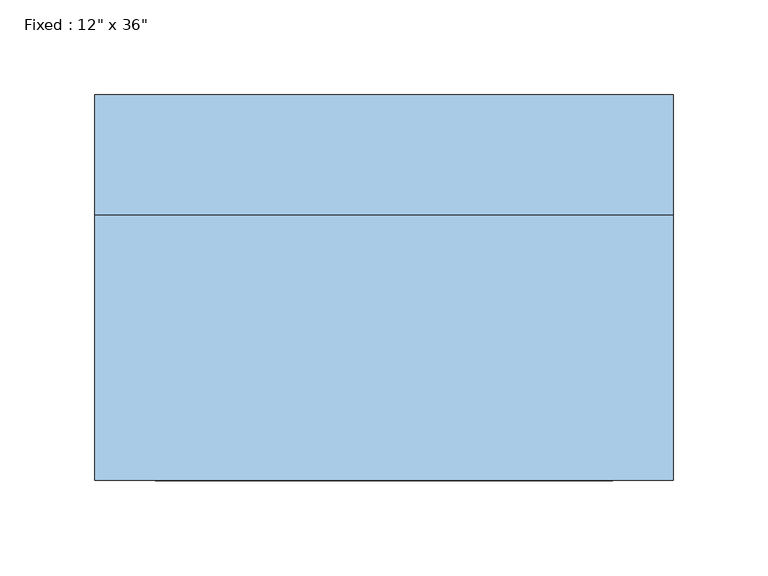
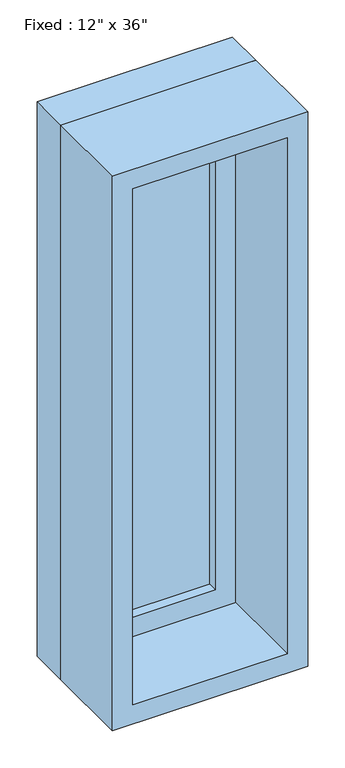
"""IFC4 building model written with IfcOpenShell, lengths in millimetres: window geometry."""

from ifc_helpers import new_model, si_unit, frame, origin, place, context, project, spatial, polyline, outline, extrude, source, transform, mapped, element, save


def window_2962df2d(model_context):
    return source(origin(), model_context, "Body", "SweptSolid", [
        extrude(outline(polyline([(50.8, 53.975), (-127.0, 53.975), (-127.0, 66.675), (50.8, 66.675), (50.8, 53.975)])), frame((0.0, 0.0, 977.9), z_axis=(0.0, 0.0, 1.0), x_axis=(1.0, 0.0, 0.0)), (0.0, 0.0, 1.0), 787.4),
        extrude(outline(polyline([(1809.75, -171.45), (933.45, -171.45), (933.45, 95.25), (1809.75, 95.25), (1809.75, -171.45)]), holes=[polyline([(1765.3, -127.0), (1765.3, 50.8), (977.9, 50.8), (977.9, -127.0), (1765.3, -127.0)])]), frame((0.0, 38.1, 0.0), z_axis=(0.0, 1.0, 0.0), x_axis=(0.0, 0.0, 1.0)), (0.0, 0.0, 1.0), 44.45),
        extrude(outline(polyline([(1828.8, -190.5), (914.4, -190.5), (914.4, 114.3), (1828.8, 114.3), (1828.8, -190.5)]), holes=[polyline([(1797.05, -158.75), (1797.05, 82.55), (946.15, 82.55), (946.15, -158.75), (1797.05, -158.75)])]), frame((0.0, -101.6, 0.0), z_axis=(0.0, 1.0, 0.0), x_axis=(0.0, 0.0, 1.0)), (0.0, 0.0, 1.0), 139.7),
        extrude(outline(polyline([(1828.8, 114.3), (1828.8, -190.5), (914.4, -190.5), (914.4, 114.3), (1828.8, 114.3)]), holes=[polyline([(1809.75, 95.25), (933.45, 95.25), (933.45, -171.45), (1809.75, -171.45), (1809.75, 95.25)])]), frame((0.0, 38.1, 0.0), z_axis=(0.0, 1.0, 0.0), x_axis=(0.0, 0.0, 1.0)), (0.0, 0.0, 1.0), 63.5),
    ])


if __name__ == "__main__":
    model = new_model("IFC4")
    model_context = context("Model", 3, world=origin())
    ifc_project = project(units=[si_unit("LENGTHUNIT", "METRE", prefix="MILLI")], contexts=[model_context])
    site = spatial("IfcSite", under=ifc_project)
    building = spatial("IfcBuilding", under=site)
    placement = place(None, origin())
    window_shape = window_2962df2d(model_context)
    element("IfcWindow", 1, ObjectType="Fixed : 12\" x 36\"", at=placement, inside=building, context=model_context, shape_type="MappedRepresentation", body=[
        mapped(window_shape, transform((0.0, 0.0, 0.0), x_axis=(1.0, 0.0, 0.0), y_axis=(0.0, 1.0, 0.0), z_axis=(0.0, 0.0, 1.0))),
    ])
    save(model, "model.ifc")
